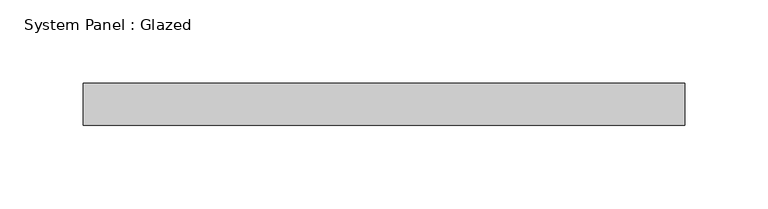
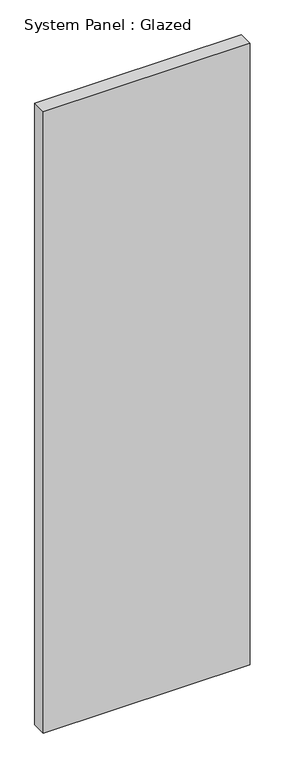
"""IFC4 building model written with IfcOpenShell, lengths in millimetres: plate geometry, System Panel : Glazed."""

from ifc_helpers import new_model, si_unit, origin, origin_with_axes, place, context, project, spatial, polyline, outline, extrude, source, transform, mapped, element, save


def system_panel_glazed_c7d8acff(model_context):
    return source(origin(), model_context, "Body", "SweptSolid", [
        extrude(outline(polyline([(180.975, -12.7), (-180.975, -12.7), (-180.975, 12.7), (180.975, 12.7), (180.975, -12.7)])), origin_with_axes(), (0.0, 0.0, 1.0), 1149.35),
    ])


if __name__ == "__main__":
    model = new_model("IFC4")
    model_context = context("Model", 3, world=origin())
    ifc_project = project(units=[si_unit("LENGTHUNIT", "METRE", prefix="MILLI")], contexts=[model_context])
    site = spatial("IfcSite", under=ifc_project)
    building = spatial("IfcBuilding", under=site)
    placement = place(None, origin())
    system_panel_glazed_shape = system_panel_glazed_c7d8acff(model_context)
    element("IfcPlate", 1, ObjectType="System Panel : Glazed", at=placement, inside=building, context=model_context, shape_type="MappedRepresentation", body=[
        mapped(system_panel_glazed_shape, transform((0.0, 0.0, 0.0), x_axis=(1.0, 0.0, 0.0), y_axis=(0.0, 1.0, 0.0), z_axis=(0.0, 0.0, 1.0))),
    ])
    save(model, "model.ifc")
